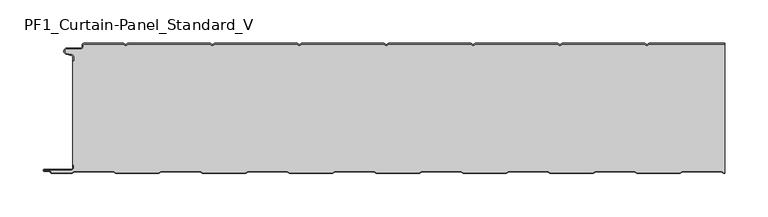
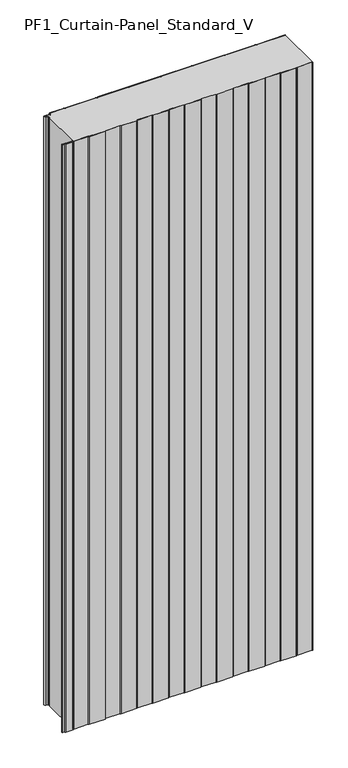
"""IFC4 building model written with IfcOpenShell, lengths in millimetres: plate geometry, PF1_Curtain-Panel_Standard_V."""

from ifc_helpers import new_model, si_unit, point, frame_2d, origin, origin_with_axes, place, context, project, spatial, polyline, circle_curve, trimmed, segment, composite_curve, outline, extrude, source, transform, mapped, element, save


def pf1_curtain_panel_standard_v_d0dd0fd2(model_context):
    return source(origin(), model_context, "Body", "SweptSolid", [
        extrude(outline(composite_curve([segment(trimmed(circle_curve(frame_2d((-377.0119739, -15.878557)), 2.0), [point((-375.0119739, -15.878557))], [point((-376.5620718, -13.9298169))], True, "CARTESIAN"), True, "CONTINUOUS"), segment(polyline([(-376.5620718, -13.9298169), (-382.7217978, -12.507732)]), True, "CONTINUOUS"), segment(trimmed(circle_curve(frame_2d((-381.9119739, -9.0)), 3.6), [point((-382.7217978, -12.507732))], [point((-381.9119739, -5.4))], False, "CARTESIAN"), True, "CONTINUOUS"), segment(polyline([(-381.9119739, -5.4), (-366.4119739, -5.4)]), True, "CONTINUOUS"), segment(trimmed(circle_curve(frame_2d((-366.4119739, -3.4)), 2.0), [point((-366.4119739, -5.4))], [point((-364.4119739, -3.4))], True, "CARTESIAN"), True, "CONTINUOUS"), segment(polyline([(-364.4119739, -3.4), (-364.4119739, -2.0)]), True, "CONTINUOUS"), segment(trimmed(circle_curve(frame_2d((-362.4119739, -2.0)), 2.0), [point((-364.4119739, -2.0))], [point((-362.4119739, 0.0))], False, "CARTESIAN"), True, "CONTINUOUS"), segment(polyline([(-362.4119739, 0.0), (-317.1119734, 0.0), (-314.4119739, -1.5588455), (-311.7119745, 0.0), (-217.1119734, 0.0), (-214.4119739, -1.5588455), (-211.7119745, 0.0), (-117.1119734, 0.0), (-114.4119739, -1.5588455), (-111.7119745, 0.0), (-17.1119734, 0.0), (-14.4119739, -1.5588455), (-11.7119745, 0.0), (82.8880266, 0.0), (85.5880261, -1.5588455), (88.2880255, 0.0), (182.8880266, 0.0), (185.5880261, -1.5588455), (188.2880255, 0.0), (282.8880266, 0.0), (285.5880261, -1.5588455), (288.2880255, 0.0), (375.0119739, 0.0), (375.0119739, -0.8), (288.5023849, -0.8), (285.5880261, -2.482606), (282.6736672, -0.8), (188.5023849, -0.8), (185.5880261, -2.482606), (182.6736672, -0.8), (88.5023849, -0.8), (85.5880261, -2.482606), (82.6736672, -0.8), (-11.4976151, -0.8), (-14.4119739, -2.482606), (-17.3263328, -0.8), (-111.4976151, -0.8), (-114.4119739, -2.482606), (-117.3263328, -0.8), (-211.4976151, -0.8), (-214.4119739, -2.482606), (-217.3263328, -0.8), (-311.4976151, -0.8), (-314.4119739, -2.482606), (-317.3263328, -0.8), (-362.4119739, -0.8)]), True, "CONTINUOUS"), segment(trimmed(circle_curve(frame_2d((-362.4119739, -2.0)), 1.2), [point((-362.4119739, -0.8))], [point((-363.6119739, -2.0))], True, "CARTESIAN"), True, "CONTINUOUS"), segment(polyline([(-363.6119739, -2.0), (-363.6119739, -3.4)]), True, "CONTINUOUS"), segment(trimmed(circle_curve(frame_2d((-366.4119739, -3.4)), 2.8), [point((-363.6119739, -3.4))], [point((-366.4119739, -6.2))], False, "CARTESIAN"), True, "CONTINUOUS"), segment(polyline([(-366.4119739, -6.2), (-381.9119739, -6.2)]), True, "CONTINUOUS"), segment(trimmed(circle_curve(frame_2d((-381.9119739, -9.0)), 2.8), [point((-381.9119739, -6.2))], [point((-382.541837, -11.7282362))], True, "CARTESIAN"), True, "CONTINUOUS"), segment(polyline([(-382.541837, -11.7282362), (-376.3821109, -13.150321)]), True, "CONTINUOUS"), segment(trimmed(circle_curve(frame_2d((-377.0119739, -15.878557)), 2.8), [point((-376.3821109, -13.150321))], [point((-374.2119739, -15.878557))], False, "CARTESIAN"), True, "CONTINUOUS"), segment(polyline([(-374.2119739, -15.878557), (-374.2119739, -20.0), (-375.0119739, -20.0), (-375.0119739, -15.878557)]), True, "CONTINUOUS")], self_intersect=False)), origin_with_axes(), (0.0, 0.0, 1.0), 1945.7507136),
        extrude(outline(composite_curve([segment(polyline([(-374.2119739, -140.0), (-375.0119739, -140.0), (-375.0119739, -20.0), (-374.2119739, -20.0), (-374.2119739, -15.878557)]), True, "CONTINUOUS"), segment(trimmed(circle_curve(frame_2d((-377.0119739, -15.878557)), 2.8), [point((-374.2119739, -15.878557))], [point((-376.3821109, -13.1503208))], True, "CARTESIAN"), True, "CONTINUOUS"), segment(polyline([(-376.3821109, -13.1503208), (-382.5418369, -11.7282362)]), True, "CONTINUOUS"), segment(trimmed(circle_curve(frame_2d((-381.9119739, -9.0)), 2.8), [point((-382.5418369, -11.7282362))], [point((-381.9119739, -6.2))], False, "CARTESIAN"), True, "CONTINUOUS"), segment(polyline([(-381.9119739, -6.2), (-366.4119739, -6.2)]), True, "CONTINUOUS"), segment(trimmed(circle_curve(frame_2d((-366.4119739, -3.4)), 2.8), [point((-366.4119739, -6.2))], [point((-363.6119739, -3.4))], True, "CARTESIAN"), True, "CONTINUOUS"), segment(polyline([(-363.6119739, -3.4), (-363.6119739, -2.0)]), True, "CONTINUOUS"), segment(trimmed(circle_curve(frame_2d((-362.4119739, -2.0)), 1.2), [point((-363.6119739, -2.0))], [point((-362.4119739, -0.8))], False, "CARTESIAN"), True, "CONTINUOUS"), segment(polyline([(-362.4119739, -0.8), (-317.3263328, -0.8), (-314.4119739, -2.482606), (-311.4976151, -0.8), (-217.3263328, -0.8), (-214.4119739, -2.482606), (-211.4976151, -0.8), (-117.3263328, -0.8), (-114.4119739, -2.482606), (-111.4976151, -0.8), (-17.3263328, -0.8), (-14.4119739, -2.482606), (-11.4976151, -0.8), (82.6736672, -0.8), (85.5880261, -2.482606), (88.5023849, -0.8), (182.6736672, -0.8), (185.5880261, -2.482606), (188.5023849, -0.8), (282.6736672, -0.8), (285.5880261, -2.482606), (288.5023849, -0.8), (375.0119739, -0.8), (375.0119739, -149.2), (374.2032822, -149.2), (371.6052046, -147.7), (326.3764885, -147.7), (323.7784109, -149.2), (274.2032822, -149.2), (271.6052046, -147.7), (226.3764885, -147.7), (223.7784109, -149.2), (174.2032822, -149.2), (171.6052046, -147.7), (126.3764885, -147.7), (123.7784109, -149.2), (74.2032822, -149.2), (71.6052046, -147.7), (26.3764885, -147.7), (23.7784109, -149.2), (-25.7967178, -149.2), (-28.3947954, -147.7), (-73.6235115, -147.7), (-76.2215891, -149.2), (-125.7967178, -149.2), (-128.3947954, -147.7), (-173.6235115, -147.7), (-176.2215891, -149.2), (-225.7967178, -149.2), (-228.3947954, -147.7), (-273.6235115, -147.7), (-276.2215891, -149.2), (-325.7967178, -149.2), (-328.3947954, -147.7), (-373.6235115, -147.7), (-376.2215891, -149.2), (-399.4119739, -149.2)]), True, "CONTINUOUS"), segment(trimmed(circle_curve(frame_2d((-399.4119739, -148.4)), 0.8), [point((-399.4119739, -149.2))], [point((-400.2119739, -148.4))], False, "CARTESIAN"), True, "CONTINUOUS"), segment(trimmed(circle_curve(frame_2d((-401.9119739, -148.6133333)), 1.7133333), [point((-400.2119739, -148.4))], [point((-401.9119739, -146.9))], True, "CARTESIAN"), True, "CONTINUOUS"), segment(polyline([(-401.9119739, -146.9), (-407.8820051, -146.9)]), True, "CONTINUOUS"), segment(trimmed(circle_curve(frame_2d((-407.8820051, -146.6)), 0.3), [point((-407.8820051, -146.9))], [point((-407.8820051, -146.3))], False, "CARTESIAN"), True, "CONTINUOUS"), segment(polyline([(-407.8820051, -146.3), (-377.0119739, -146.3)]), True, "CONTINUOUS"), segment(trimmed(circle_curve(frame_2d((-377.0119739, -143.5)), 2.8), [point((-377.0119739, -146.3))], [point((-374.2119739, -143.5))], True, "CARTESIAN"), True, "CONTINUOUS"), segment(polyline([(-374.2119739, -143.5), (-374.2119739, -140.0)]), True, "CONTINUOUS")], self_intersect=False)), origin_with_axes(), (0.0, 0.0, 1.0), 1945.7507136),
        extrude(outline(composite_curve([segment(polyline([(-375.0119739, -140.0), (-374.2119739, -140.0), (-374.2119739, -143.5)]), True, "CONTINUOUS"), segment(trimmed(circle_curve(frame_2d((-377.0119739, -143.5)), 2.8), [point((-374.2119739, -143.5))], [point((-377.0119739, -146.3))], False, "CARTESIAN"), True, "CONTINUOUS"), segment(polyline([(-377.0119739, -146.3), (-407.8820051, -146.3)]), True, "CONTINUOUS"), segment(trimmed(circle_curve(frame_2d((-407.8820051, -146.6)), 0.3), [point((-407.8820051, -146.3))], [point((-407.8820051, -146.9))], True, "CARTESIAN"), True, "CONTINUOUS"), segment(polyline([(-407.8820051, -146.9), (-401.9119739, -146.9)]), True, "CONTINUOUS"), segment(trimmed(circle_curve(frame_2d((-401.9119739, -148.6133333)), 1.7133333), [point((-401.9119739, -146.9))], [point((-400.2119739, -148.4))], False, "CARTESIAN"), True, "CONTINUOUS"), segment(trimmed(circle_curve(frame_2d((-399.4119739, -148.4)), 0.8), [point((-400.2119739, -148.4))], [point((-399.4119739, -149.2))], True, "CARTESIAN"), True, "CONTINUOUS"), segment(polyline([(-399.4119739, -149.2), (-376.2215891, -149.2), (-373.6235115, -147.7), (-328.3947954, -147.7), (-325.7967178, -149.2), (-276.2215891, -149.2), (-273.6235115, -147.7), (-228.3947954, -147.7), (-225.7967178, -149.2), (-176.2215891, -149.2), (-173.6235115, -147.7), (-128.3947954, -147.7), (-125.7967178, -149.2), (-76.2215891, -149.2), (-73.6235115, -147.7), (-28.3947954, -147.7), (-25.7967178, -149.2), (23.7784109, -149.2), (26.3764885, -147.7), (71.6052046, -147.7), (74.2032822, -149.2), (123.7784109, -149.2), (126.3764885, -147.7), (171.6052046, -147.7), (174.2032822, -149.2), (223.7784109, -149.2), (226.3764885, -147.7), (271.6052046, -147.7), (274.2032822, -149.2), (323.7784109, -149.2), (326.3764885, -147.7), (371.6052046, -147.7), (374.2032822, -149.2), (375.0119739, -149.2), (375.0119739, -150.0), (373.988923, -150.0), (371.3908454, -148.5), (326.5908477, -148.5), (323.9927701, -150.0), (273.988923, -150.0), (271.3908454, -148.5), (226.5908477, -148.5), (223.9927701, -150.0), (173.988923, -150.0), (171.3908454, -148.5), (126.5908477, -148.5), (123.9927701, -150.0), (73.988923, -150.0), (71.3908454, -148.5), (26.5908477, -148.5), (23.9927701, -150.0), (-26.011077, -150.0), (-28.6091546, -148.5), (-73.4091523, -148.5), (-76.0072299, -150.0), (-126.011077, -150.0), (-128.6091546, -148.5), (-173.4091523, -148.5), (-176.0072299, -150.0), (-226.011077, -150.0), (-228.6091546, -148.5), (-273.4091523, -148.5), (-276.0072299, -150.0), (-326.011077, -150.0), (-328.6091546, -148.5), (-373.4091523, -148.5), (-376.0072299, -150.0), (-399.4119739, -150.0)]), True, "CONTINUOUS"), segment(trimmed(circle_curve(frame_2d((-399.4119739, -148.4)), 1.6), [point((-399.4119739, -150.0))], [point((-401.0119739, -148.4))], False, "CARTESIAN"), True, "CONTINUOUS"), segment(trimmed(circle_curve(frame_2d((-401.9119739, -148.4)), 0.9), [point((-401.0119739, -148.4))], [point((-401.9119739, -147.5))], True, "CARTESIAN"), True, "CONTINUOUS"), segment(polyline([(-401.9119739, -147.5), (-408.0119739, -147.5)]), True, "CONTINUOUS"), segment(trimmed(circle_curve(frame_2d((-408.0119739, -146.5)), 1.0), [point((-408.0119739, -147.5))], [point((-408.0119739, -145.5))], False, "CARTESIAN"), True, "CONTINUOUS"), segment(polyline([(-408.0119739, -145.5), (-377.0119739, -145.5)]), True, "CONTINUOUS"), segment(trimmed(circle_curve(frame_2d((-377.0119739, -143.5)), 2.0), [point((-377.0119739, -145.5))], [point((-375.0119739, -143.5))], True, "CARTESIAN"), True, "CONTINUOUS"), segment(polyline([(-375.0119739, -143.5), (-375.0119739, -140.0)]), True, "CONTINUOUS")], self_intersect=False)), origin_with_axes(), (0.0, 0.0, 1.0), 1945.7507136),
    ])


if __name__ == "__main__":
    model = new_model("IFC4")
    model_context = context("Model", 3, world=origin())
    ifc_project = project(units=[si_unit("LENGTHUNIT", "METRE", prefix="MILLI")], contexts=[model_context])
    site = spatial("IfcSite", under=ifc_project)
    building = spatial("IfcBuilding", under=site)
    placement = place(None, origin())
    pf1_curtain_panel_standard_v_shape = pf1_curtain_panel_standard_v_d0dd0fd2(model_context)
    element("IfcPlate", 1, ObjectType="PF1_Curtain-Panel_Standard_V", at=placement, inside=building, context=model_context, shape_type="MappedRepresentation", body=[
        mapped(pf1_curtain_panel_standard_v_shape, transform((0.0, 0.0, 0.0), x_axis=(1.0, 0.0, 0.0), y_axis=(0.0, 1.0, 0.0), z_axis=(0.0, 0.0, 1.0))),
    ])
    save(model, "model.ifc")
